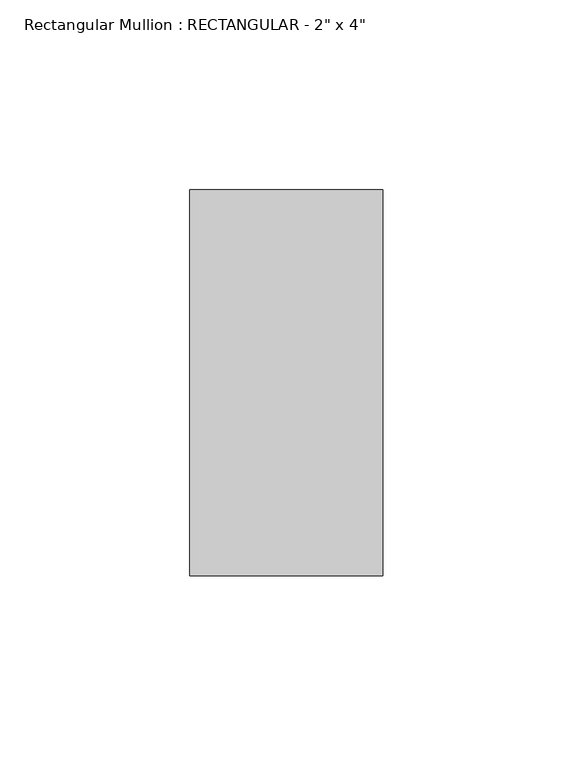
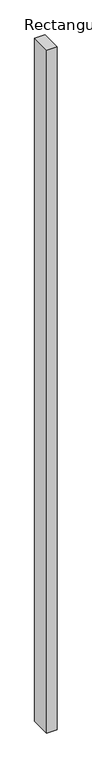
"""IFC4 building model written with IfcOpenShell, lengths in millimetres: member geometry."""

from ifc_helpers import new_model, si_unit, frame, origin, place, context, project, spatial, polyline, outline, extrude, source, transform, mapped, element, save


def member_c20dee54(model_context):
    return source(origin(), model_context, "Body", "SweptSolid", [
        extrude(outline(polyline([(0.0, 50.8), (0.0, -50.8), (-50.8, -50.8), (-50.8, 50.8), (0.0, 50.8)])), frame((0.0, 0.0, -3556.0), z_axis=(0.0, 0.0, 1.0), x_axis=(1.0, 0.0, 0.0)), (0.0, 0.0, 1.0), 3556.0),
    ])


if __name__ == "__main__":
    model = new_model("IFC4")
    model_context = context("Model", 3, world=origin())
    ifc_project = project(units=[si_unit("LENGTHUNIT", "METRE", prefix="MILLI")], contexts=[model_context])
    site = spatial("IfcSite", under=ifc_project)
    building = spatial("IfcBuilding", under=site)
    placement = place(None, origin())
    member_shape = member_c20dee54(model_context)
    element("IfcMember", 1, ObjectType="Rectangular Mullion : RECTANGULAR - 2\" x 4\"", at=placement, inside=building, context=model_context, shape_type="MappedRepresentation", body=[
        mapped(member_shape, transform((0.0, 0.0, 0.0), x_axis=(1.0, 0.0, 0.0), y_axis=(0.0, 1.0, 0.0), z_axis=(0.0, 0.0, 1.0))),
    ])
    save(model, "model.ifc")
